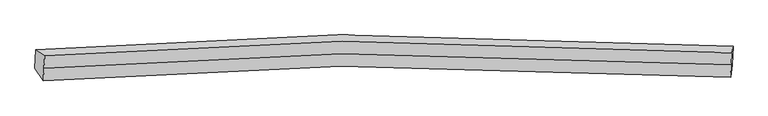
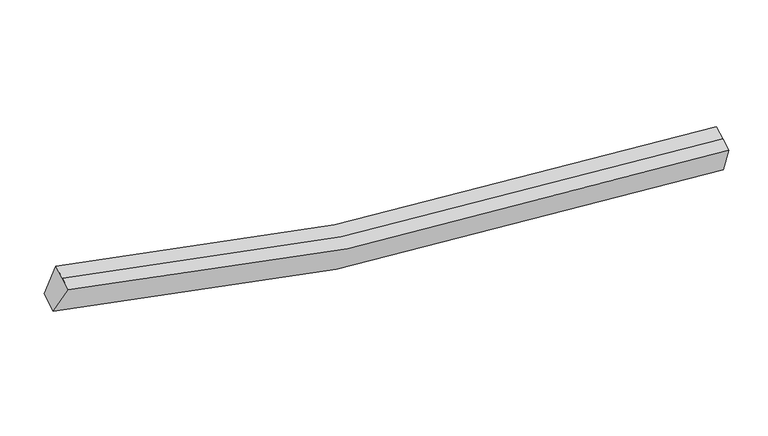
"""IFC4 building model written with IfcOpenShell, lengths in millimetres: proxy geometry."""

from ifc_helpers import new_model, si_unit, frame, origin, place, context, project, spatial, source, transform, mapped, element, save
from ifc_brep_helpers import plane_surface, spline_curve, spline_surface, advanced_brep


def generic_models_04f4c9e8(model_context):
    return source(origin(), model_context, "Body", "AdvancedBrep", [
        advanced_brep(
        [(-7112.2186319, -1871.4866601, 4055.8154996), (-6914.5101299, -2013.3675075, 4750.16927), (8583.7366648, -1939.4204105, 2730.7347463), (8612.9319351, -1797.8421128, 2009.3130894), (-6929.0469748, -2291.5117422, 4631.4192332), (8569.1998199, -2217.5646452, 2611.9847094), (-6943.5838198, -2569.6559769, 4512.6691964), (8554.6629749, -2495.7088799, 2493.2346726), (-7134.0196655, -2288.6220033, 3877.72503), (8591.1309015, -2214.977456, 1831.2226199)],
        [
            (0, 1),
            (1, 2, spline_curve(3, [(-6914.5101299, -2013.3675075, 4750.16927), (-4701.301889486, -1826.475058625, 4073.525143119), (-2463.832860572, -1716.895554041, 3564.207725064), (2686.925513662, -1643.413189561, 2785.373975493), (5615.538748998, -1728.343661645, 2621.546552867), (8583.7366648, -1939.4204105, 2730.7347463)], [4, 2, 4], [0.0, 22.777387952034175, 51.872164745097706])),
            (2, 3),
            (3, 0, spline_curve(3, [(8612.9319351, -1797.8421128, 2009.3130894), (5601.350536738, -1584.014042563, 1898.991377041), (2629.892561256, -1497.843719713, 2065.159601026), (-2596.291846492, -1571.81035062, 2854.360946795), (-4866.550726927, -1682.528854869, 3370.360193019), (-7112.2186319, -1871.4866601, 4055.8154996)], [4, 2, 4], [0.0, 29.09477679306353, 51.872164745097706])),
            (1, 4),
            (4, 5, spline_curve(3, [(-6929.0469748, -2291.5117422, 4631.4192332), (-4715.838734318, -2104.61929285, 3954.775106901), (-2478.369705105, -1995.039788728, 3445.457688058), (2672.388668065, -1921.557424278, 2666.623938957), (5601.00190416, -2006.487896435, 2502.796515899), (8569.1998199, -2217.5646452, 2611.9847094)], [4, 2, 4], [0.0, 22.61228975083916, 51.49617777461884])),
            (5, 2),
            (4, 6),
            (6, 7, spline_curve(3, [(-6943.5838198, -2569.6559769, 4512.6691964), (-4730.375579318, -2382.76352755, 3836.025070101), (-2492.906550105, -2273.184023328, 3326.707651258), (2657.851823065, -2199.701658878, 2547.873902157), (5586.46505916, -2284.632131135, 2384.046479099), (8554.6629749, -2495.7088799, 2493.2346726)], [4, 2, 4], [0.0, 22.612289750839167, 51.49617777461886])),
            (7, 5),
            (6, 8),
            (8, 9, spline_curve(3, [(-7134.0196655, -2288.6220033, 3877.72503), (-4888.351760527, -2099.664198069, 3192.269723419), (-2618.092880092, -1988.94569382, 2676.270477195), (2608.091527656, -1914.979062913, 1887.069131426), (5579.549503138, -2001.149385763, 1720.900907541), (8591.1309015, -2214.977456, 1831.2226199)], [4, 2, 4], [0.0, 22.777387952034175, 51.872164745097706])),
            (9, 7),
            (8, 0),
            (3, 9),
        ],
        [
            spline_surface(3, 3, [[(-7112.2186319, -1871.4866601, 4055.8154996), (-4866.550726895, -1682.528855067, 3370.360192795), (-2596.291846641, -1571.810350399, 2854.36094658), (2629.892561447, -1497.843719997, 2065.159601301), (5601.350536854, -1584.014042235, 1898.991377404), (8612.9319351, -1797.8421128, 2009.3130894)], [(-7046.315797893, -1918.780275898, 4287.266756403), (-4811.467781103, -1730.510922857, 3604.748509655), (-2552.138851225, -1620.172084893, 3090.976539373), (2648.903545394, -1546.366876536, 2305.231059413), (5606.07994092, -1632.123915438, 2139.843102517), (8603.200178339, -1845.034878701, 2249.786975005)], [(-6980.412963907, -1966.073891702, 4518.718013197), (-4756.38483533, -1778.492990653, 3839.136826506), (-2507.985855745, -1668.533819453, 3327.592132161), (2667.914529404, -1594.890033141, 2545.302517521), (5610.809344972, -1680.233788638, 2380.694827716), (8593.468421561, -1892.227644599, 2490.260860695)], [(-6914.5101299, -2013.3675075, 4750.16927), (-4701.301889538, -1826.475058443, 4073.525143366), (-2463.832860329, -1716.895553947, 3564.207724954), (2686.925513351, -1643.413189681, 2785.373975634), (5615.538749038, -1728.34366184, 2621.54655283), (8583.7366648, -1939.4204105, 2730.7347463)]], [4, 4], [4, 2, 4], [0.0, 2.4139021142556816], [0.0, 22.777387952034175, 51.872164745097706]),
            spline_surface(3, 3, [[(-6914.5101299, -2013.3675075, 4750.16927), (-4701.301889538, -1826.475058443, 4073.525143366), (-2463.832860329, -1716.895553947, 3564.207724954), (2686.925513351, -1643.413189681, 2785.373975634), (5615.538749038, -1728.34366184, 2621.54655283), (8583.7366648, -1939.4204105, 2730.7347463)], [(-6919.355744888, -2106.082252391, 4710.585924394), (-4706.147504526, -1919.189803333, 4033.94179776), (-2468.678475317, -1809.610298838, 3524.624379348), (2682.079898363, -1736.127934571, 2745.790630028), (5610.69313405, -1821.058406731, 2581.963207224), (8578.891049812, -2032.135155391, 2691.151400694)], [(-6924.201359812, -2198.796997309, 4671.002578806), (-4710.99311945, -2011.904548252, 3994.358452172), (-2473.524090341, -1902.325043757, 3485.04103376), (2677.234283339, -1828.84267949, 2706.20728444), (5605.847519126, -1913.773151649, 2542.379861536), (8574.045434888, -2124.849900309, 2651.568055006)], [(-6929.0469748, -2291.5117422, 4631.4192332), (-4715.838734438, -2104.619293143, 3954.775106566), (-2478.369705329, -1995.039788647, 3445.457688154), (2672.388668351, -1921.557424381, 2666.623938834), (5601.001904138, -2006.48789654, 2502.79651593), (8569.1998199, -2217.5646452, 2611.9847094)]], [4, 4], [4, 2, 4], [0.0, 0.9933801691272696], [0.0, 22.61228975083916, 51.49617777461884]),
            spline_surface(3, 3, [[(-6929.0469748, -2291.5117422, 4631.4192332), (-4715.838734438, -2104.619293143, 3954.775106566), (-2478.369705329, -1995.039788647, 3445.457688154), (2672.388668351, -1921.557424381, 2666.623938834), (5601.001904138, -2006.48789654, 2502.79651593), (8569.1998199, -2217.5646452, 2611.9847094)], [(-6933.892589788, -2384.226487091, 4591.835887594), (-4720.684349426, -2197.334038033, 3915.19176096), (-2483.215320316, -2087.754533538, 3405.874342548), (2667.543053363, -2014.272169271, 2627.040593228), (5596.156289151, -2099.202641431, 2463.213170324), (8564.354204912, -2310.279390091, 2572.401363794)], [(-6938.738204812, -2476.941232009, 4552.252542006), (-4725.52996445, -2290.048782952, 3875.608415372), (-2488.060935341, -2180.469278357, 3366.29099696), (2662.697438339, -2106.98691409, 2587.45724764), (5591.310674126, -2191.917386349, 2423.629824736), (8559.508589888, -2402.994135009, 2532.818018206)], [(-6943.5838198, -2569.6559769, 4512.6691964), (-4730.375579438, -2382.763527843, 3836.025069766), (-2492.906550329, -2273.184023247, 3326.707651354), (2657.851823351, -2199.701658981, 2547.873902034), (5586.465059138, -2284.63213124, 2384.04647913), (8554.6629749, -2495.7088799, 2493.2346726)]], [4, 4], [4, 2, 4], [0.0, 0.9933801691272737], [0.0, 22.612289750839167, 51.49617777461886]),
            spline_surface(3, 3, [[(-6943.5838198, -2569.6559769, 4512.6691964), (-4730.375579438, -2382.763527843, 3836.025069766), (-2492.906550329, -2273.184023247, 3326.707651354), (2657.851823351, -2199.701658981, 2547.873902034), (5586.465059138, -2284.63213124, 2384.04647913), (8554.6629749, -2495.7088799, 2493.2346726)], [(-7007.062435039, -2475.977985711, 4301.021140954), (-4783.034306463, -2288.397084662, 3621.439954263), (-2534.635326977, -2178.437913362, 3109.895259918), (2641.265058172, -2104.79412705, 2327.605645278), (5584.159873839, -2190.137882646, 2162.997955373), (8566.818950429, -2402.131738608, 2272.563988352)], [(-7070.541050261, -2382.299994489, 4089.373085446), (-4835.69303347, -2194.030641448, 3406.854838698), (-2576.364103593, -2083.691803484, 2893.082868416), (2624.678293026, -2009.886595127, 2107.337388457), (5581.854688553, -2095.643634029, 1941.949431661), (8578.974925971, -2308.554597292, 2051.893304148)], [(-7134.0196655, -2288.6220033, 3877.72503), (-4888.351760495, -2099.664198267, 3192.269723195), (-2618.092880241, -1988.945693599, 2676.27047698), (2608.091527847, -1914.979063197, 1887.069131701), (5579.549503254, -2001.149385435, 1720.900907904), (8591.1309015, -2214.977456, 1831.2226199)]], [4, 4], [4, 2, 4], [0.0, 2.362188580335397], [0.0, 22.777387952034175, 51.872164745097706]),
            spline_surface(3, 3, [[(-7134.0196655, -2288.6220033, 3877.72503), (-4888.351760495, -2099.664198267, 3192.269723195), (-2618.092880241, -1988.945693599, 2676.27047698), (2608.091527847, -1914.979063197, 1887.069131701), (5579.549503254, -2001.149385435, 1720.900907904), (8591.1309015, -2214.977456, 1831.2226199)], [(-7126.752654292, -2149.57688891, 3937.088519855), (-4881.084749287, -1960.619083876, 3251.63321305), (-2610.825869034, -1849.900579208, 2735.633966835), (2615.358539055, -1775.933948806, 1946.432621556), (5586.816514462, -1862.104271045, 1780.264397759), (8598.397912708, -2075.93234161, 1890.586109755)], [(-7119.485643108, -2010.53177449, 3996.452009745), (-4873.817738103, -1821.573969457, 3310.99670294), (-2603.558857849, -1710.855464789, 2794.997456725), (2622.625550239, -1636.888834387, 2005.796111446), (5594.083525646, -1723.059156625, 1839.627887548), (8605.664923892, -1936.88722719, 1949.949599545)], [(-7112.2186319, -1871.4866601, 4055.8154996), (-4866.550726895, -1682.528855067, 3370.360192795), (-2596.291846641, -1571.810350399, 2854.36094658), (2629.892561447, -1497.843719997, 2065.159601301), (5601.350536854, -1584.014042235, 1898.991377404), (8612.9319351, -1797.8421128, 2009.3130894)]], [4, 4], [4, 2, 4], [0.0, 1.4897809341127135], [0.0, 22.942486523081413, 52.248152557860834]),
            plane_surface(frame((8585.6156191, -2111.9872148, 2266.1262821), z_axis=(0.997561798970641, -0.0640088390526066, 0.0278087352750215), x_axis=(0.050649898038461226, 0.3899047553837283, -0.9194611843671535))),
            plane_surface(frame((-7026.0830618, -2185.783037, 4299.094749), z_axis=(-0.9631914436640245, -0.061394403507806984, 0.2617116162311733), x_axis=(-0.048010884840339954, -0.918627862767229, -0.3921961303793814))),
        ],
        [
            (0, [[1, 2, 3, 4]]),
            (1, [[5, 6, 7, -2]]),
            (2, [[8, 9, 10, -6]]),
            (3, [[11, 12, 13, -9]]),
            (4, [[14, -4, 15, -12]]),
            (5, [[-13, -15, -3, -7, -10]]),
            (6, [[-14, -11, -8, -5, -1]]),
        ],
    ),
    ])


if __name__ == "__main__":
    model = new_model("IFC4")
    model_context = context("Model", 3, world=origin())
    ifc_project = project(units=[si_unit("LENGTHUNIT", "METRE", prefix="MILLI")], contexts=[model_context])
    site = spatial("IfcSite", under=ifc_project)
    building = spatial("IfcBuilding", under=site)
    placement = place(None, origin())
    generic_models_shape = generic_models_04f4c9e8(model_context)
    element("IfcBuildingElementProxy", 1, Name="Generic Models", at=placement, inside=building, context=model_context, shape_type="MappedRepresentation", body=[
        mapped(generic_models_shape, transform((0.0, 0.0, 0.0), x_axis=(1.0, 0.0, 0.0), y_axis=(0.0, 1.0, 0.0), z_axis=(0.0, 0.0, 1.0))),
    ])
    save(model, "model.ifc")
